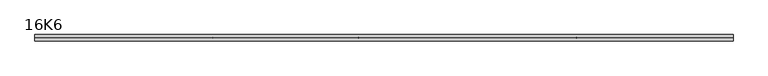
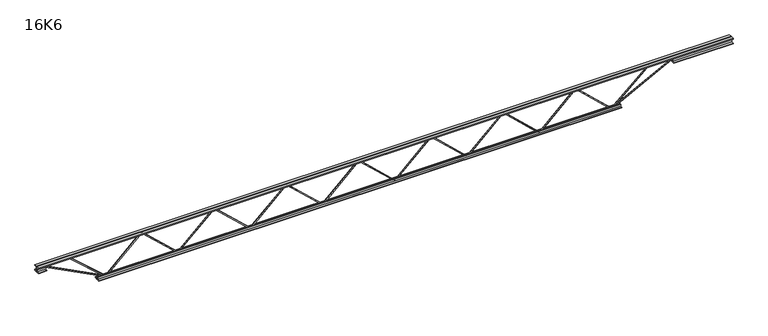
"""IFC4 building model written with IfcOpenShell, lengths in millimetres: beam geometry, 16K6."""

from ifc_helpers import new_model, si_unit, frame, origin, place, context, project, spatial, polyline, outline, extrude, source, transform, mapped, element, save


def beam_16k6_b1cfbcf0(model_context):
    return source(origin(), model_context, "Body", "SweptSolid", [
        extrude(outline(polyline([(-191.9, 1280.5714286), (-201.4, 1280.5714286), (-201.4, 1285.6215844), (191.9, 1706.1287273), (191.9, 1708.7284156), (-201.4, 2129.2355584), (-201.4, 2134.2857143), (-191.9, 2134.2857143), (-191.9, 2132.9858701), (201.4, 1712.4787273), (201.4, 1702.3784156), (-191.9, 1281.8712727), (-191.9, 1280.5714286)])), frame((0.0, -4.75, 0.0), z_axis=(0.0, 1.0, 0.0), x_axis=(0.0, 0.0, 1.0)), (0.0, 0.0, 1.0), 9.5),
        extrude(outline(polyline([(-191.9, 426.8571429), (-201.4, 426.8571429), (-201.4, 431.9072987), (191.9, 852.4144416), (191.9, 855.0141299), (-201.4, 1275.5212727), (-201.4, 1280.5714286), (-191.9, 1280.5714286), (-191.9, 1279.2715844), (201.4, 858.7644416), (201.4, 848.6641299), (-191.9, 428.156987), (-191.9, 426.8571429)])), frame((0.0, -4.75, 0.0), z_axis=(0.0, 1.0, 0.0), x_axis=(0.0, 0.0, 1.0)), (0.0, 0.0, 1.0), 9.5),
        extrude(outline(polyline([(-191.9, -426.8571429), (-201.4, -426.8571429), (-201.4, -421.806987), (191.9, -1.2998442), (191.9, 1.2998442), (-201.4, 421.806987), (-201.4, 426.8571429), (-191.9, 426.8571429), (-191.9, 425.5572987), (201.4, 5.0501558), (201.4, -5.0501558), (-191.9, -425.5572987), (-191.9, -426.8571429)])), frame((0.0, -4.75, 0.0), z_axis=(0.0, 1.0, 0.0), x_axis=(0.0, 0.0, 1.0)), (0.0, 0.0, 1.0), 9.5),
        extrude(outline(polyline([(-191.9, -1280.5714286), (-201.4, -1280.5714286), (-201.4, -1275.5212727), (191.9, -855.0141299), (191.9, -852.4144416), (-201.4, -431.9072987), (-201.4, -426.8571429), (-191.9, -426.8571429), (-191.9, -428.156987), (201.4, -848.6641299), (201.4, -858.7644416), (-191.9, -1279.2715844), (-191.9, -1280.5714286)])), frame((0.0, -4.75, 0.0), z_axis=(0.0, 1.0, 0.0), x_axis=(0.0, 0.0, 1.0)), (0.0, 0.0, 1.0), 9.5),
        extrude(outline(polyline([(-191.9, -2134.2857143), (-201.4, -2134.2857143), (-201.4, -2129.2355584), (191.9, -1708.7284156), (191.9, -1706.1287273), (-201.4, -1285.6215844), (-201.4, -1280.5714286), (-191.9, -1280.5714286), (-191.9, -1281.8712727), (201.4, -1702.3784156), (201.4, -1712.4787273), (-191.9, -2132.9858701), (-191.9, -2134.2857143)])), frame((0.0, -4.75, 0.0), z_axis=(0.0, 1.0, 0.0), x_axis=(0.0, 0.0, 1.0)), (0.0, 0.0, 1.0), 9.5),
        extrude(outline(polyline([(-191.9, 2134.2857143), (-201.4, 2134.2857143), (-201.4, 2139.3358701), (191.9, 2559.843013), (191.9, 2562.4427013), (-201.4, 2982.9498442), (-201.4, 2988.0), (-191.9, 2988.0), (-191.9, 2986.7001558), (201.4, 2566.193013), (201.4, 2556.0927013), (-191.9, 2135.5855584), (-191.9, 2134.2857143)])), frame((0.0, -4.75, 0.0), z_axis=(0.0, 1.0, 0.0), x_axis=(0.0, 0.0, 1.0)), (0.0, 0.0, 1.0), 9.5),
        extrude(outline(polyline([(-191.9, -2988.0), (-201.4, -2988.0), (-201.4, -2982.9498442), (191.9, -2562.4427013), (191.9, -2559.843013), (-201.4, -2139.3358701), (-201.4, -2134.2857143), (-191.9, -2134.2857143), (-191.9, -2135.5855584), (201.4, -2556.0927013), (201.4, -2566.193013), (-191.9, -2986.7001558), (-191.9, -2988.0)])), frame((0.0, -4.75, 0.0), z_axis=(0.0, 1.0, 0.0), x_axis=(0.0, 0.0, 1.0)), (0.0, 0.0, 1.0), 9.5),
        extrude(outline(polyline([(4.75, 203.0), (36.75, 203.0), (36.75, 196.5), (11.25, 196.5), (11.25, 171.0), (4.75, 171.0), (4.75, 203.0)])), frame((-3800.0, 0.0, 0.0), z_axis=(1.0, 0.0, 0.0), x_axis=(0.0, 1.0, 0.0)), (0.0, 0.0, 1.0), 8200.0),
        extrude(outline(polyline([(-4.75, 203.0), (-4.75, 171.0), (-11.25, 171.0), (-11.25, 196.5), (-36.75, 196.5), (-36.75, 203.0), (-4.75, 203.0)])), frame((-3800.0, 0.0, 0.0), z_axis=(1.0, 0.0, 0.0), x_axis=(0.0, 1.0, 0.0)), (0.0, 0.0, 1.0), 8200.0),
        extrude(outline(polyline([(-4.75, 139.5), (-36.75, 139.5), (-36.75, 146.0), (-11.25, 146.0), (-11.25, 171.0), (-4.75, 171.0), (-4.75, 139.5)])), frame((-3800.0, 0.0, 0.0), z_axis=(1.0, 0.0, 0.0), x_axis=(0.0, 1.0, 0.0)), (0.0, 0.0, 1.0), 100.0),
        extrude(outline(polyline([(36.75, 139.5), (4.75, 139.5), (4.75, 171.0), (11.25, 171.0), (11.25, 146.0), (36.75, 146.0), (36.75, 139.5)])), frame((-3800.0, 0.0, 0.0), z_axis=(1.0, 0.0, 0.0), x_axis=(0.0, 1.0, 0.0)), (0.0, 0.0, 1.0), 100.0),
        extrude(outline(polyline([(4.75, 139.5), (4.75, 171.0), (11.25, 171.0), (11.25, 146.0), (36.75, 146.0), (36.75, 139.5), (4.75, 139.5)])), frame((3700.0, 0.0, 0.0), z_axis=(1.0, 0.0, 0.0), x_axis=(0.0, 1.0, 0.0)), (0.0, 0.0, 1.0), 700.0),
        extrude(outline(polyline([(-4.75, 139.5), (-36.75, 139.5), (-36.75, 146.0), (-11.25, 146.0), (-11.25, 171.0), (-4.75, 171.0), (-4.75, 139.5)])), frame((3700.0, 0.0, 0.0), z_axis=(1.0, 0.0, 0.0), x_axis=(0.0, 1.0, 0.0)), (0.0, 0.0, 1.0), 700.0),
        extrude(outline(polyline([(4.75, -203.0), (4.75, -171.0), (11.25, -171.0), (11.25, -196.5), (36.75, -196.5), (36.75, -203.0), (4.75, -203.0)])), frame((-3088.0, 0.0, 0.0), z_axis=(1.0, 0.0, 0.0), x_axis=(0.0, 1.0, 0.0)), (0.0, 0.0, 1.0), 6176.0),
        extrude(outline(polyline([(-4.75, -203.0), (-36.75, -203.0), (-36.75, -196.5), (-11.25, -196.5), (-11.25, -171.0), (-4.75, -171.0), (-4.75, -203.0)])), frame((-3088.0, 0.0, 0.0), z_axis=(1.0, 0.0, 0.0), x_axis=(0.0, 1.0, 0.0)), (0.0, 0.0, 1.0), 6176.0),
        extrude(outline(polyline([(-200.8705467, -2990.1793315), (-192.4294533, -2985.8206685), (175.75, -3698.8460208), (175.75, -3800.0), (166.25, -3800.0), (166.25, -3701.1539792), (-200.8705467, -2990.1793315)])), frame((0.0, -4.75, 0.0), z_axis=(0.0, 1.0, 0.0), x_axis=(0.0, 0.0, 1.0)), (0.0, 0.0, 1.0), 9.5),
        extrude(outline(polyline([(188.7, -3434.8142857), (179.2, -3434.8142857), (179.2, -3423.9016777), (-200.2216796, -2991.1313903), (-193.0783204, -2984.8686097), (188.7, -3420.3268937), (188.7, -3434.8142857)])), frame((0.0, -4.75, 0.0), z_axis=(0.0, 1.0, 0.0), x_axis=(0.0, 0.0, 1.0)), (0.0, 0.0, 1.0), 9.5),
        extrude(outline(polyline([(0.0, -9.5), (0.0, 0.0), (801.3179909, 0.0), (801.3179909, -9.5), (0.0, -9.5)])), frame((3702.1793315, -4.75, 166.7794533), z_axis=(-0.4588066213244971, 0.0, 0.8885361468329803), x_axis=(-0.8885361468329803, 0.0, -0.4588066213244971)), (0.0, 0.0, 1.0), 9.5),
        extrude(outline(polyline([(0.0, -9.5), (0.0, 0.0), (591.1798609, 0.0), (591.1798609, -9.5), (0.0, -9.5)])), frame((3432.5315075, -4.75, 193.1036778), z_axis=(-0.6652797667821982, 0.0, 0.7465941547522482), x_axis=(-0.7465941547522482, 0.0, -0.6652797667821982)), (0.0, 0.0, 1.0), 9.5),
    ])


if __name__ == "__main__":
    model = new_model("IFC4")
    model_context = context("Model", 3, world=origin())
    ifc_project = project(units=[si_unit("LENGTHUNIT", "METRE", prefix="MILLI")], contexts=[model_context])
    site = spatial("IfcSite", under=ifc_project)
    building = spatial("IfcBuilding", under=site)
    placement = place(None, origin())
    beam_16k6_shape = beam_16k6_b1cfbcf0(model_context)
    element("IfcBeam", 1, ObjectType="16K6", at=placement, inside=building, context=model_context, shape_type="MappedRepresentation", body=[
        mapped(beam_16k6_shape, transform((0.0, 0.0, 0.0), x_axis=(1.0, 0.0, 0.0), y_axis=(0.0, 1.0, 0.0), z_axis=(0.0, 0.0, 1.0))),
    ])
    save(model, "model.ifc")
